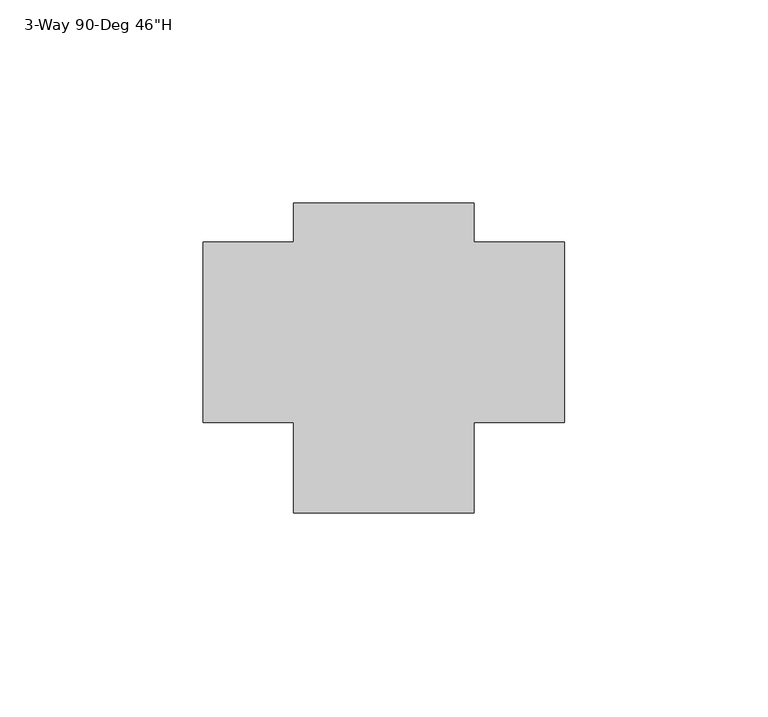
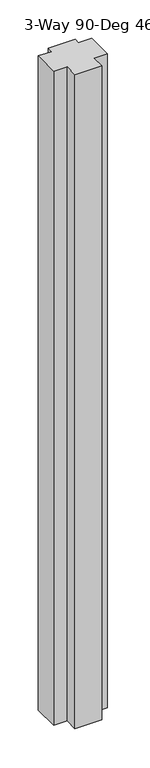
"""IFC4 building model written with IfcOpenShell, lengths in millimetres: furniture geometry."""

from ifc_helpers import new_model, si_unit, frame, origin, place, context, project, spatial, polyline, outline, extrude, source, transform, mapped, element, save


def furniture_47860de4(model_context):
    return source(origin(), model_context, "Body", "SweptSolid", [
        extrude(outline(polyline([(-31.75, -44.45), (-31.75, -22.225), (-53.975, -22.225), (-53.975, 22.225), (-31.75, 22.225), (-31.75, 31.75), (12.7, 31.75), (12.7, 22.225), (34.925, 22.225), (34.925, -22.225), (12.7, -22.225), (12.7, -44.45), (-31.75, -44.45)])), frame((0.0, 0.0, 14.732), z_axis=(0.0, 0.0, 1.0), x_axis=(1.0, 0.0, 0.0)), (0.0, 0.0, 1.0), 1147.318),
    ])


if __name__ == "__main__":
    model = new_model("IFC4")
    model_context = context("Model", 3, world=origin())
    ifc_project = project(units=[si_unit("LENGTHUNIT", "METRE", prefix="MILLI")], contexts=[model_context])
    site = spatial("IfcSite", under=ifc_project)
    building = spatial("IfcBuilding", under=site)
    placement = place(None, origin())
    furniture_shape = furniture_47860de4(model_context)
    element("IfcFurniture", 1, ObjectType="3-Way 90-Deg 46\"H", at=placement, inside=building, context=model_context, shape_type="MappedRepresentation", body=[
        mapped(furniture_shape, transform((0.0, 0.0, 0.0), x_axis=(1.0, 0.0, 0.0), y_axis=(0.0, 1.0, 0.0), z_axis=(0.0, 0.0, 1.0))),
    ])
    save(model, "model.ifc")
